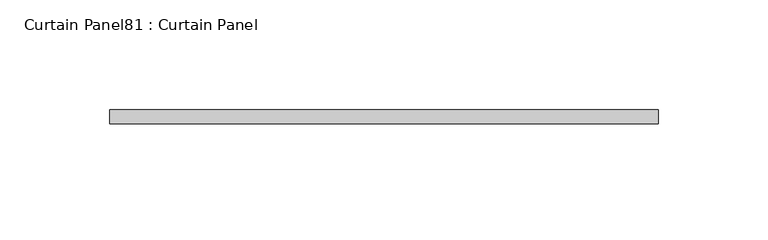
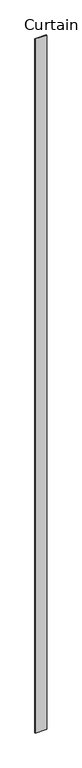
"""IFC4 building model written with IfcOpenShell, lengths in millimetres: plate geometry, Curtain Panel81 : Curtain Panel."""

from ifc_helpers import new_model, si_unit, frame, origin, place, context, project, spatial, polyline, outline, extrude, source, transform, mapped, element, save


def curtain_panel81_curtain_panel_e5051d1c(model_context):
    return source(origin(), model_context, "Body", "SweptSolid", [
        extrude(outline(polyline([(171784.2858608, 7974.6084949), (171534.8223393, 7974.6084949), (171534.8223393, 7980.9584949), (171784.2858608, 7980.9584949), (171784.2858608, 7974.6084949)])), frame((0.0, 0.0, 1433.7679301), z_axis=(0.0, 0.0, 1.0), x_axis=(1.0, 0.0, 0.0)), (0.0, 0.0, 1.0), 15837.0064664),
    ])


if __name__ == "__main__":
    model = new_model("IFC4")
    model_context = context("Model", 3, world=origin())
    ifc_project = project(units=[si_unit("LENGTHUNIT", "METRE", prefix="MILLI")], contexts=[model_context])
    site = spatial("IfcSite", under=ifc_project)
    building = spatial("IfcBuilding", under=site)
    placement = place(None, origin())
    curtain_panel81_curtain_panel_shape = curtain_panel81_curtain_panel_e5051d1c(model_context)
    element("IfcPlate", 1, ObjectType="Curtain Panel81 : Curtain Panel", at=placement, inside=building, context=model_context, shape_type="MappedRepresentation", body=[
        mapped(curtain_panel81_curtain_panel_shape, transform((0.0, 0.0, 0.0), x_axis=(1.0, 0.0, 0.0), y_axis=(0.0, 1.0, 0.0), z_axis=(0.0, 0.0, 1.0))),
    ])
    save(model, "model.ifc")
